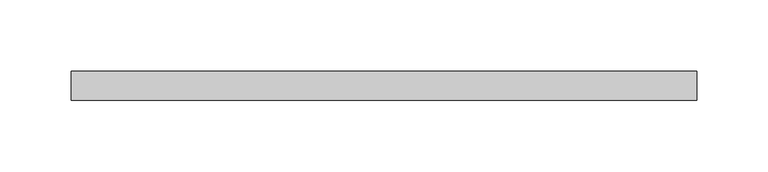
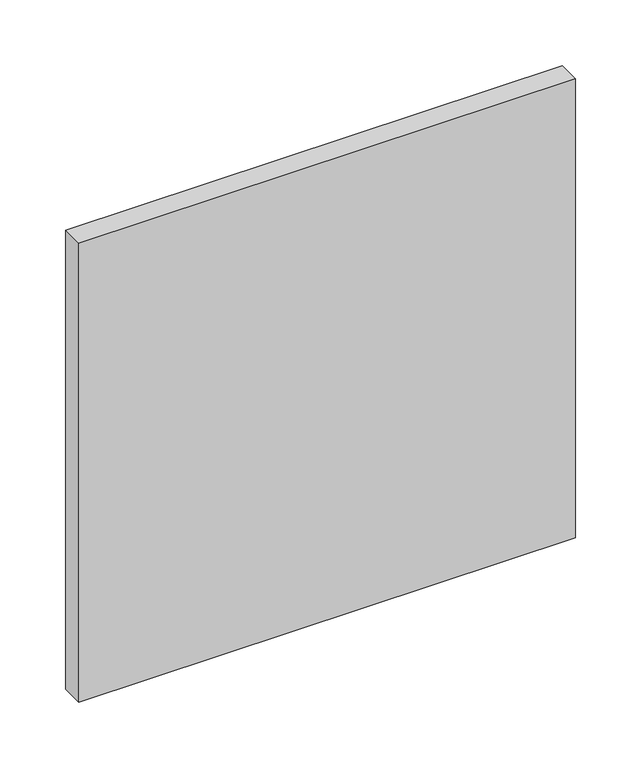
"""IFC4 building model written with IfcOpenShell, lengths in millimetres: plate geometry."""

from ifc_helpers import new_model, si_unit, origin, origin_with_axes, place, context, project, spatial, polyline, outline, extrude, source, transform, mapped, element, save


def plate_c4964699(model_context):
    return source(origin(), model_context, "Body", "SweptSolid", [
        extrude(outline(polyline([(218.75, 70.0), (-218.75, 70.0), (-218.75, 90.0), (218.75, 90.0), (218.75, 70.0)])), origin_with_axes(), (0.0, 0.0, 1.0), 427.3076923),
    ])


if __name__ == "__main__":
    model = new_model("IFC4")
    model_context = context("Model", 3, world=origin())
    ifc_project = project(units=[si_unit("LENGTHUNIT", "METRE", prefix="MILLI")], contexts=[model_context])
    site = spatial("IfcSite", under=ifc_project)
    building = spatial("IfcBuilding", under=site)
    placement = place(None, origin())
    plate_shape = plate_c4964699(model_context)
    element("IfcPlate", 1, at=placement, inside=building, context=model_context, shape_type="MappedRepresentation", body=[
        mapped(plate_shape, transform((0.0, 0.0, 0.0), x_axis=(1.0, 0.0, 0.0), y_axis=(0.0, 1.0, 0.0), z_axis=(0.0, 0.0, 1.0))),
    ])
    save(model, "model.ifc")
